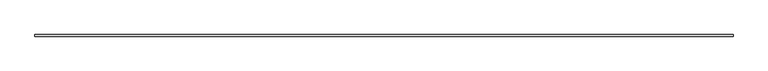
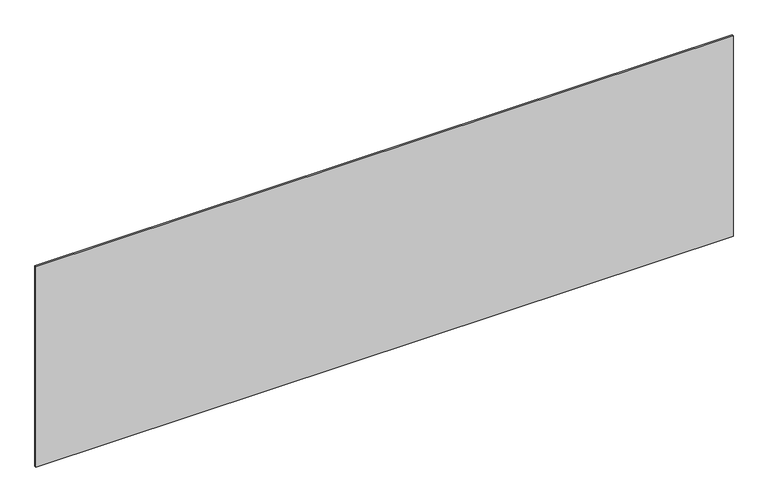
"""IFC4 building model written with IfcOpenShell, lengths in millimetres: plate geometry."""

from ifc_helpers import new_model, si_unit, origin, origin_with_axes, place, context, project, spatial, polyline, outline, extrude, source, transform, mapped, element, save


def plate_029a1b64(model_context):
    return source(origin(), model_context, "Body", "SweptSolid", [
        extrude(outline(polyline([(2189.1666667, -5.0), (-2189.1666667, -5.0), (-2189.1666667, 5.0), (2189.1666667, 5.0), (2189.1666667, -5.0)])), origin_with_axes(), (0.0, 0.0, 1.0), 1329.6791609),
    ])


if __name__ == "__main__":
    model = new_model("IFC4")
    model_context = context("Model", 3, world=origin())
    ifc_project = project(units=[si_unit("LENGTHUNIT", "METRE", prefix="MILLI")], contexts=[model_context])
    site = spatial("IfcSite", under=ifc_project)
    building = spatial("IfcBuilding", under=site)
    placement = place(None, origin())
    plate_shape = plate_029a1b64(model_context)
    element("IfcPlate", 1, at=placement, inside=building, context=model_context, shape_type="MappedRepresentation", body=[
        mapped(plate_shape, transform((0.0, 0.0, 0.0), x_axis=(1.0, 0.0, 0.0), y_axis=(0.0, 1.0, 0.0), z_axis=(0.0, 0.0, 1.0))),
    ])
    save(model, "model.ifc")
